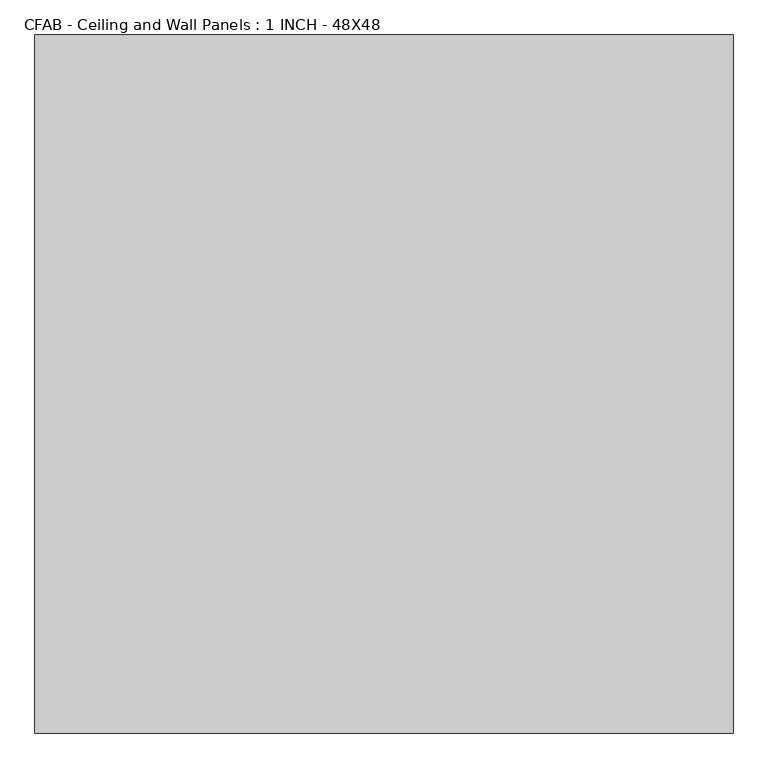
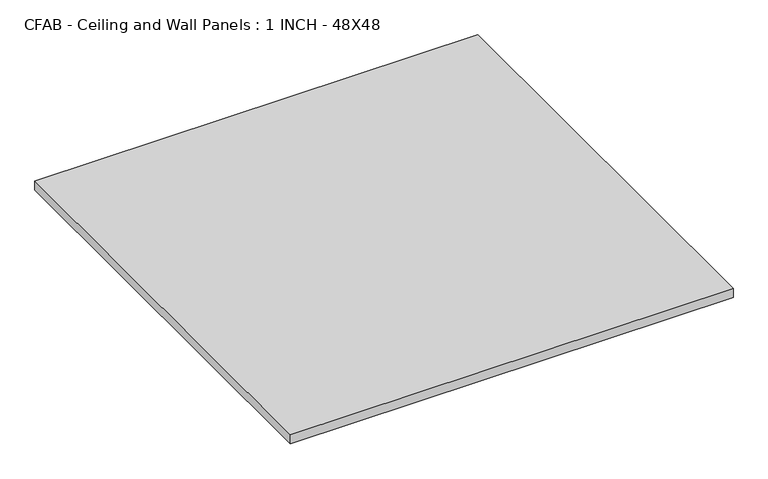
"""IFC4 building model written with IfcOpenShell, lengths in millimetres: proxy geometry, CFAB - Ceiling and Wall Panels : 1 INCH - 48X48."""

from ifc_helpers import new_model, si_unit, origin, origin_with_axes, place, context, project, spatial, polyline, outline, extrude, source, transform, mapped, element, save


def cfab_ceiling_and_wall_panels_1_inch_48x48_0f7442b7(model_context):
    return source(origin(), model_context, "Body", "SweptSolid", [
        extrude(outline(polyline([(-609.6, 609.6), (609.6, 609.6), (609.6, -609.6), (-609.6, -609.6), (-609.6, 609.6)])), origin_with_axes(), (0.0, 0.0, 1.0), 25.4),
    ])


if __name__ == "__main__":
    model = new_model("IFC4")
    model_context = context("Model", 3, world=origin())
    ifc_project = project(units=[si_unit("LENGTHUNIT", "METRE", prefix="MILLI")], contexts=[model_context])
    site = spatial("IfcSite", under=ifc_project)
    building = spatial("IfcBuilding", under=site)
    placement = place(None, origin())
    cfab_ceiling_and_wall_panels_1_inch_48x48_shape = cfab_ceiling_and_wall_panels_1_inch_48x48_0f7442b7(model_context)
    element("IfcBuildingElementProxy", 1, Name="CFAB - Ceiling and Wall Panels : 1 INCH - 48X48", ObjectType="CFAB - Ceiling and Wall Panels : 1 INCH - 48X48", at=placement, inside=building, context=model_context, shape_type="MappedRepresentation", body=[
        mapped(cfab_ceiling_and_wall_panels_1_inch_48x48_shape, transform((0.0, 0.0, 0.0), x_axis=(1.0, 0.0, 0.0), y_axis=(0.0, 1.0, 0.0), z_axis=(0.0, 0.0, 1.0))),
    ])
    save(model, "model.ifc")
